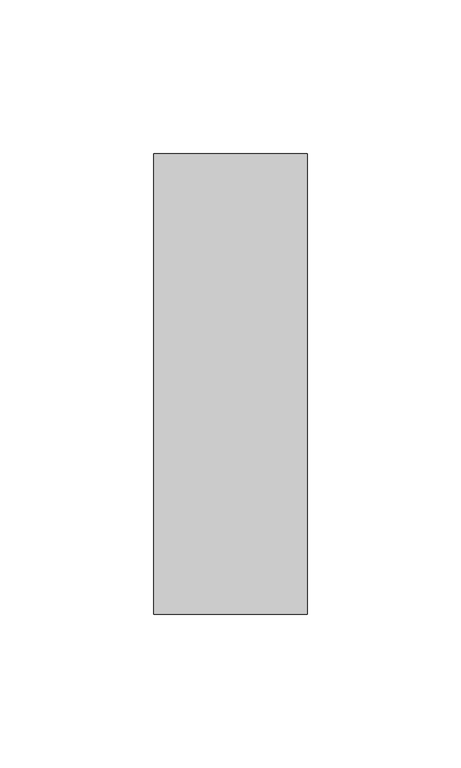
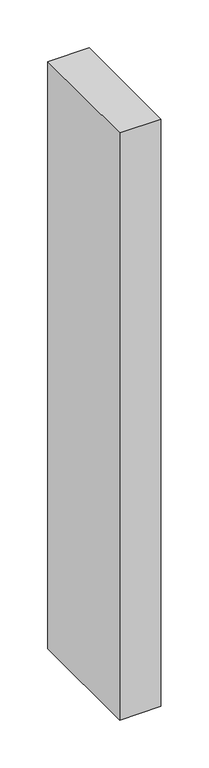
"""IFC4 building model written with IfcOpenShell, lengths in millimetres: member geometry."""

from ifc_helpers import new_model, si_unit, frame, origin, place, context, project, spatial, polyline, outline, extrude, source, transform, mapped, element, save


def member_0d3281e4(model_context):
    return source(origin(), model_context, "Body", "SweptSolid", [
        extrude(outline(polyline([(0.0, 75.0), (0.0, -75.0), (-50.0, -75.0), (-50.0, 75.0), (0.0, 75.0)])), frame((0.0, 0.0, -750.0), z_axis=(0.0, 0.0, 1.0), x_axis=(1.0, 0.0, 0.0)), (0.0, 0.0, 1.0), 750.0),
    ])


if __name__ == "__main__":
    model = new_model("IFC4")
    model_context = context("Model", 3, world=origin())
    ifc_project = project(units=[si_unit("LENGTHUNIT", "METRE", prefix="MILLI")], contexts=[model_context])
    site = spatial("IfcSite", under=ifc_project)
    building = spatial("IfcBuilding", under=site)
    placement = place(None, origin())
    member_shape = member_0d3281e4(model_context)
    element("IfcMember", 1, at=placement, inside=building, context=model_context, shape_type="MappedRepresentation", body=[
        mapped(member_shape, transform((0.0, 0.0, 0.0), x_axis=(1.0, 0.0, 0.0), y_axis=(0.0, 1.0, 0.0), z_axis=(0.0, 0.0, 1.0))),
    ])
    save(model, "model.ifc")
